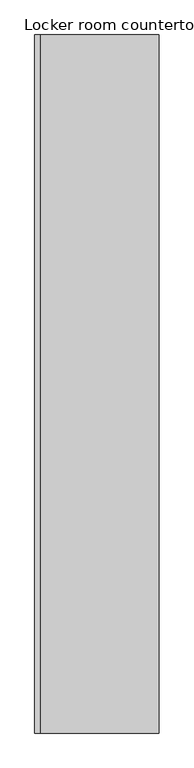
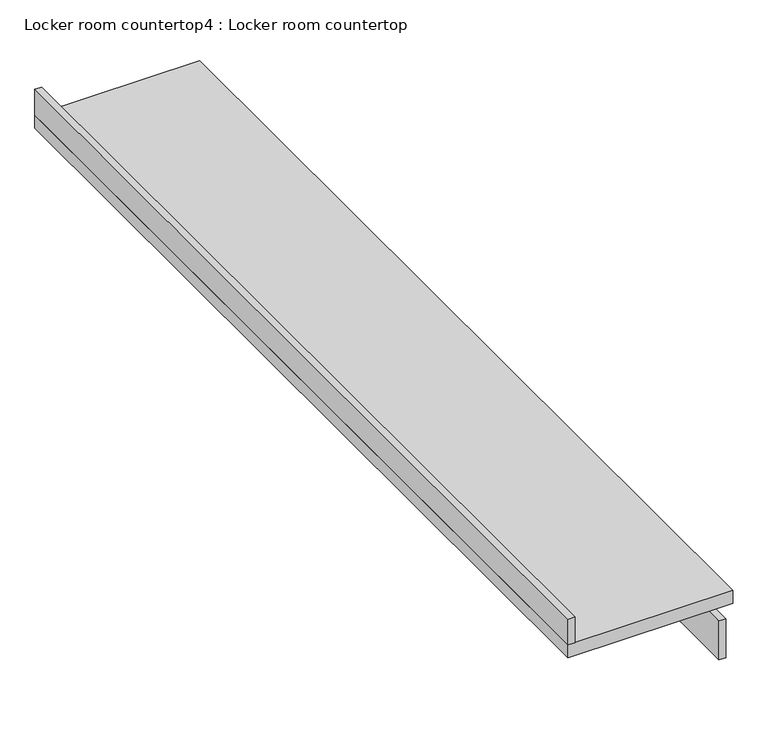
"""IFC4 building model written with IfcOpenShell, lengths in millimetres: furniture geometry, Locker room countertop4 : Locker room countertop."""

from ifc_helpers import new_model, si_unit, frame, origin, place, context, project, spatial, polyline, outline, extrude, source, transform, mapped, element, save


def locker_room_countertop4_locker_room_countertop_a64b421f(model_context):
    return source(origin(), model_context, "Body", "SweptSolid", [
        extrude(outline(polyline([(244427.1629676, -267670.592121), (244401.7629676, -267670.592121), (244401.7629676, -264247.942121), (244427.1629676, -264247.942121), (244427.1629676, -267670.592121)])), frame((0.0, 0.0, 660.4), z_axis=(0.0, 0.0, 1.0), x_axis=(1.0, 0.0, 0.0)), (0.0, 0.0, 1.0), 152.4),
        extrude(outline(polyline([(243868.3629676, -264247.942121), (243868.3629676, -267670.592121), (243842.9629676, -267670.592121), (243842.9629676, -264247.942121), (243868.3629676, -264247.942121)])), frame((0.0, 0.0, 914.4), z_axis=(0.0, 0.0, 1.0), x_axis=(1.0, 0.0, 0.0)), (0.0, 0.0, 1.0), 101.6),
        extrude(outline(polyline([(244452.5629676, -264247.942121), (244452.5629676, -267670.592121), (243842.9629676, -267670.592121), (243842.9629676, -264247.942121), (244452.5629676, -264247.942121)])), frame((0.0, 0.0, 863.6), z_axis=(0.0, 0.0, 1.0), x_axis=(1.0, 0.0, 0.0)), (0.0, 0.0, 1.0), 50.8),
    ])


if __name__ == "__main__":
    model = new_model("IFC4")
    model_context = context("Model", 3, world=origin())
    ifc_project = project(units=[si_unit("LENGTHUNIT", "METRE", prefix="MILLI")], contexts=[model_context])
    site = spatial("IfcSite", under=ifc_project)
    building = spatial("IfcBuilding", under=site)
    placement = place(None, origin())
    locker_room_countertop4_locker_room_countertop_shape = locker_room_countertop4_locker_room_countertop_a64b421f(model_context)
    element("IfcFurniture", 1, ObjectType="Locker room countertop4 : Locker room countertop", at=placement, inside=building, context=model_context, shape_type="MappedRepresentation", body=[
        mapped(locker_room_countertop4_locker_room_countertop_shape, transform((0.0, 0.0, 0.0), x_axis=(1.0, 0.0, 0.0), y_axis=(0.0, 1.0, 0.0), z_axis=(0.0, 0.0, 1.0))),
    ])
    save(model, "model.ifc")
